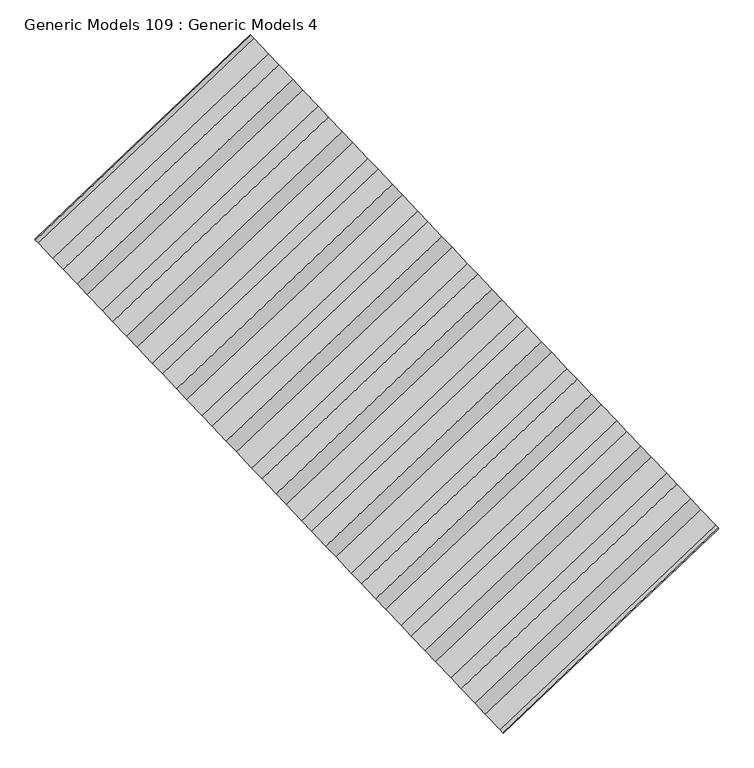
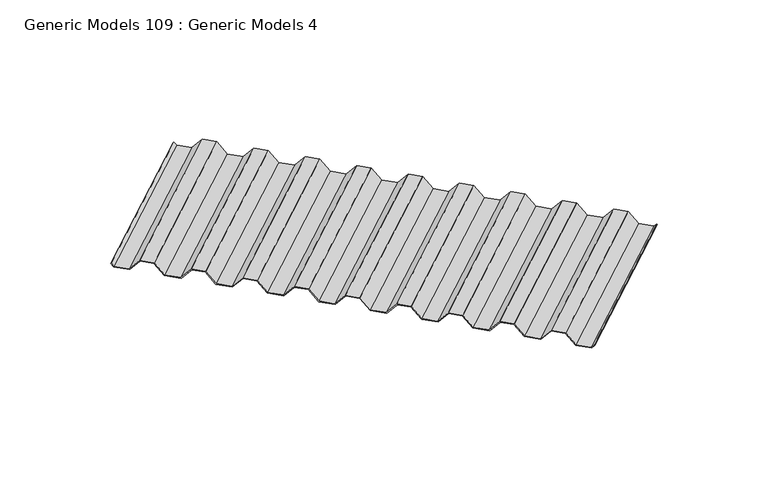
"""IFC4 building model written with IfcOpenShell, lengths in millimetres: proxy geometry, Generic Models 109 : Generic Models 4."""

import ifcopenshell
import ifcopenshell.guid

model = None  # the IFC model being written
_history = None  # IfcOwnerHistory: only IFC2X3 demands one
_inside = {}  # id of a spatial element -> (the spatial element, [elements in it])
_under = {}  # id of a project, library or spatial element -> (it, [spatial elements below it])
_declared = {}  # id of a project -> (the project, [libraries it declares])
_typed = {}  # id of a type object -> (the type object, [elements of that type])
_made_of = {}  # id of a material, layer set ... -> (it, [elements and type objects made of it])


def new_model(schema):
    """Start an empty IFC model of exactly this schema.

    Asked for "IFC4X3", IfcOpenShell would pick the latest addendum, in which some entities
    have other attributes; the version numbers below select the first issue.
    IFC2X3 requires an IfcOwnerHistory on every rooted entity: one is made here for all.
    """
    global model, _history
    if schema == "IFC4X3":
        model = ifcopenshell.file(schema_version=(4, 3, 0, 0))
    else:
        model = ifcopenshell.file(schema=schema)
    _inside.clear()
    _under.clear()
    _declared.clear()
    _typed.clear()
    _made_of.clear()
    _history = None
    if model.schema == "IFC2X3":
        org = make("IfcOrganization", Name="unknown")
        user = make(
            "IfcPersonAndOrganization",
            ThePerson=make("IfcPerson", FamilyName="unknown"),
            TheOrganization=org,
        )
        app = make(
            "IfcApplication",
            ApplicationDeveloper=org,
            Version="unknown",
            ApplicationFullName="unknown",
            ApplicationIdentifier="unknown",
        )
        _history = make(
            "IfcOwnerHistory",
            OwningUser=user,
            OwningApplication=app,
            ChangeAction="ADDED",
            CreationDate=0,
        )
    return model


def make(cls, **values):
    """One entity of the class cls with the attributes given. An attribute that is None is left unset."""
    return model.create_entity(
        cls, **{name: value for name, value in values.items() if value is not None}
    )


def rooted(cls, **values):
    """An entity with a GlobalId (a new one), such as an element, a storey or a relation."""
    return make(cls, GlobalId=ifcopenshell.guid.new(), OwnerHistory=_history, **values)


def si_unit(unit_type, name, prefix=None):
    """IfcSIUnit, for example si_unit("LENGTHUNIT", "METRE", prefix="MILLI")."""
    return make("IfcSIUnit", UnitType=unit_type, Prefix=prefix, Name=name)


def assignment(units):
    """IfcUnitAssignment: the units of a project."""
    return None if units is None else make("IfcUnitAssignment", Units=units)


def point(xyz):
    """IfcCartesianPoint."""
    return None if xyz is None else make("IfcCartesianPoint", Coordinates=xyz)


def direction(xyz):
    """IfcDirection."""
    return None if xyz is None else make("IfcDirection", DirectionRatios=xyz)


def frame(location, z_axis=None, x_axis=None):
    """IfcAxis2Placement3D, a coordinate frame: its origin and axes. An axis left out is left unset."""
    return make(
        "IfcAxis2Placement3D",
        Location=point(location),
        Axis=direction(z_axis),
        RefDirection=direction(x_axis),
    )


def origin():
    """The frame at (0, 0, 0) with its axes left unset."""
    return frame((0.0, 0.0, 0.0))


def place(relative_to, where):
    """IfcLocalPlacement: puts the frame where relative to a parent placement (None: the world)."""
    return make(
        "IfcLocalPlacement", PlacementRelTo=relative_to, RelativePlacement=where
    )


def context(
    kind, dimensions, precision=None, world=None, true_north=None, identifier=None
):
    """IfcGeometricRepresentationContext, for example the 3D "Model" context."""
    return make(
        "IfcGeometricRepresentationContext",
        ContextIdentifier=identifier,
        ContextType=kind,
        CoordinateSpaceDimension=dimensions,
        Precision=precision,
        WorldCoordinateSystem=world,
        TrueNorth=true_north,
    )


def project(units=None, contexts=None):
    """IfcProject with its units and contexts."""
    return rooted(
        "IfcProject",
        Name="project",
        RepresentationContexts=contexts,
        UnitsInContext=assignment(units),
    )


def spatial(cls, under=None, at=None, **own):
    """A site, building, storey or space (cls), placed at a placement, below another one or the project."""
    s = rooted(cls, ObjectPlacement=at, **own)
    if under is not None:
        _under.setdefault(under.id(), (under, []))[1].append(s)
    return s


def polyline(points):
    """IfcPolyline through the points."""
    return make("IfcPolyline", Points=[point(p) for p in points])


def outline(outer, holes=None, kind="AREA"):
    """IfcArbitraryClosedProfileDef: a profile drawn as a closed curve; with holes, ...WithVoids."""
    if holes is None:
        return make("IfcArbitraryClosedProfileDef", ProfileType=kind, OuterCurve=outer)
    return make(
        "IfcArbitraryProfileDefWithVoids",
        ProfileType=kind,
        OuterCurve=outer,
        InnerCurves=holes,
    )


def extrude(swept, where, along, depth):
    """IfcExtrudedAreaSolid: the profile swept, set in the frame where, extruded along a direction by depth."""
    return make(
        "IfcExtrudedAreaSolid",
        SweptArea=swept,
        Position=where,
        ExtrudedDirection=direction(along),
        Depth=depth,
    )


def shape(context_of_items, identifier, shape_type, items):
    """IfcShapeRepresentation: the items that make up one representation, for example the "Body"."""
    return make(
        "IfcShapeRepresentation",
        ContextOfItems=context_of_items,
        RepresentationIdentifier=identifier,
        RepresentationType=shape_type,
        Items=items,
    )


def source(mapping_origin, context_of_items, identifier, shape_type, items):
    """IfcRepresentationMap: a shape defined once, which mapped items show again and again."""
    return make(
        "IfcRepresentationMap",
        MappingOrigin=mapping_origin,
        MappedRepresentation=shape(context_of_items, identifier, shape_type, items),
    )


def transform(
    local_origin,
    x_axis=None,
    y_axis=None,
    z_axis=None,
    scale=None,
    scale2=None,
    scale3=None,
    uniform=True,
):
    """IfcCartesianTransformationOperator3D, or its non-uniform kind. x_axis, y_axis, z_axis: its Axis1, 2, 3."""
    if uniform:
        return make(
            "IfcCartesianTransformationOperator3D",
            Axis1=direction(x_axis),
            Axis2=direction(y_axis),
            LocalOrigin=point(local_origin),
            Scale=scale,
            Axis3=direction(z_axis),
        )
    return make(
        "IfcCartesianTransformationOperator3DnonUniform",
        Axis1=direction(x_axis),
        Axis2=direction(y_axis),
        LocalOrigin=point(local_origin),
        Scale=scale,
        Axis3=direction(z_axis),
        Scale2=scale2,
        Scale3=scale3,
    )


def mapped(mapping_source, mapping_target):
    """IfcMappedItem: shows the shape of a source again, moved by a transform."""
    return make(
        "IfcMappedItem", MappingSource=mapping_source, MappingTarget=mapping_target
    )


def made_of(thing, what):
    """Note that an element or type object is made of a material, layer set ...; save() writes the relation."""
    if what is not None:
        _made_of.setdefault(what.id(), (what, []))[1].append(thing)
    return thing


def element(
    cls,
    number,
    at=None,
    inside=None,
    cuts=None,
    type_object=None,
    material=None,
    context=None,
    identifier="Body",
    shape_type=None,
    held_by="IfcProductDefinitionShape",
    body=None,
    shapes=None,
    **own,
):
    """One element of the class cls, such as IfcWall. Its Tag is "e" and its number.

    at: its placement. inside: the storey or other place that contains it. cuts: it is an
    opening in that element (IfcRelVoidsElement). A single representation is given by context,
    identifier, shape_type and body (its items); several are given by shapes. held_by: the class
    of the entity that holds the representations. save() writes the other relations.
    """
    e = rooted(cls, Tag="e%d" % number, ObjectPlacement=at, **own)
    if body is not None:
        shapes = [shape(context, identifier, shape_type, body)]
    if shapes is not None:
        e.Representation = make(held_by, Representations=shapes)
    if inside is not None:
        _inside.setdefault(inside.id(), (inside, []))[1].append(e)
    if cuts is not None:
        rooted(
            "IfcRelVoidsElement", RelatingBuildingElement=cuts, RelatedOpeningElement=e
        )
    if type_object is not None:
        _typed.setdefault(type_object.id(), (type_object, []))[1].append(e)
    return made_of(e, material)


def aggregate(whole, parts):
    """IfcRelAggregates: a whole, such as a stair, and the parts it consists of."""
    return rooted("IfcRelAggregates", RelatingObject=whole, RelatedObjects=parts)


def save(model, path):
    """Write the relations noted so far, then the file.

    IfcRelAggregates (storeys below a building ...), IfcRelContainedInSpatialStructure (elements
    in a storey), IfcRelDefinesByType, IfcRelAssociatesMaterial and IfcRelDeclares: one each for
    every whole, place, type object, material and project.
    """
    for whole, parts in _under.values():
        aggregate(whole, parts)
    for where, things in _inside.values():
        rooted(
            "IfcRelContainedInSpatialStructure",
            RelatedElements=things,
            RelatingStructure=where,
        )
    for kind, things in _typed.values():
        rooted("IfcRelDefinesByType", RelatedObjects=things, RelatingType=kind)
    for what, things in _made_of.values():
        rooted("IfcRelAssociatesMaterial", RelatedObjects=things, RelatingMaterial=what)
    for by, libraries in _declared.values():
        rooted("IfcRelDeclares", RelatingContext=by, RelatedDefinitions=libraries)
    model.write(path)


def generic_models_109_generic_models_4_fbfcaa5b(model_context):
    return source(origin(), model_context, "Body", "SweptSolid", [
        extrude(outline(polyline([(4.7625, -1235.0766338), (4.7625, -1329.1360087), (76.2, -1391.6438212), (76.2, -1477.3688213), (4.7625, -1539.8766337), (4.7625, -1633.9360087), (76.2, -1696.4438213), (76.2, -1782.1688213), (4.7625, -1844.6766337), (4.7625, -1938.7360088), (76.2, -2001.2438212), (76.2, -2086.9688212), (4.7625, -2149.4766337), (4.7625, -2243.5360088), (76.2, -2306.0438213), (76.2, -2391.7688212), (4.7625, -2454.2766338), (4.7625, -2548.3360087), (76.2, -2610.8438212), (76.2, -2696.5688213), (4.7625, -2759.0766337), (4.7625, -2848.9688212), (23.8125, -2865.6375712), (20.4374287, -2869.0126425), (0.0, -2851.1298924), (0.0, -2756.9155625), (71.4375, -2694.4077501), (71.4375, -2613.0048924), (0.0, -2550.4970799), (0.0, -2452.1155625), (71.4375, -2389.6077501), (71.4375, -2308.2048924), (0.0, -2245.6970799), (0.0, -2147.3155626), (71.4375, -2084.8077501), (71.4375, -2003.4048924), (0.0, -1940.8970799), (0.0, -1842.5155626), (71.4375, -1780.00775), (71.4375, -1698.6048924), (0.0, -1636.0970799), (0.0, -1537.7155626), (71.4375, -1475.2077501), (71.4375, -1393.8048924), (0.0, -1331.29708), (0.0, -1232.9155625), (71.4375, -1170.4077501), (71.4375, -1089.0048925), (0.0, -1026.4970799), (0.0, -928.1155626), (71.4375, -865.60775), (71.4375, -784.2048924), (0.0, -721.6970799), (0.0, -623.3155625), (71.4375, -560.8077501), (71.4375, -479.4048924), (0.0, -416.8970799), (0.0, -318.5155626), (71.4375, -256.0077501), (71.4375, -174.6048924), (0.0, -112.0970799), (0.0, -17.8827501), (20.4374287, 0.0), (23.8125, -3.3750712), (4.7625, -20.0438212), (4.7625, -109.9360088), (76.2, -172.4438213), (76.2, -258.1688212), (4.7625, -320.6766338), (4.7625, -414.7360087), (76.2, -477.2438213), (76.2, -562.9688213), (4.7625, -625.4766337), (4.7625, -719.5360088), (76.2, -782.0438212), (76.2, -867.7688212), (4.7625, -930.2766338), (4.7625, -1024.3360088), (76.2, -1086.8438212), (76.2, -1172.5688212), (4.7625, -1235.0766338)])), frame((101752.6103164, 42804.3769156, 17155.325828), z_axis=(0.725374371012385, 0.6883545756936514, 0.0), x_axis=(0.0, 0.0, 1.0)), (0.0, 0.0, 1.0), 1252.5375),
    ])


if __name__ == "__main__":
    model = new_model("IFC4")
    model_context = context("Model", 3, world=origin())
    ifc_project = project(units=[si_unit("LENGTHUNIT", "METRE", prefix="MILLI")], contexts=[model_context])
    site = spatial("IfcSite", under=ifc_project)
    building = spatial("IfcBuilding", under=site)
    placement = place(None, origin())
    generic_models_109_generic_models_4_shape = generic_models_109_generic_models_4_fbfcaa5b(model_context)
    element("IfcBuildingElementProxy", 1, Name="Generic Models 109 : Generic Models 4", ObjectType="Generic Models 109 : Generic Models 4", at=placement, inside=building, context=model_context, shape_type="MappedRepresentation", body=[
        mapped(generic_models_109_generic_models_4_shape, transform((0.0, 0.0, 0.0), x_axis=(1.0, 0.0, 0.0), y_axis=(0.0, 1.0, 0.0), z_axis=(0.0, 0.0, 1.0))),
    ])
    save(model, "model.ifc")
